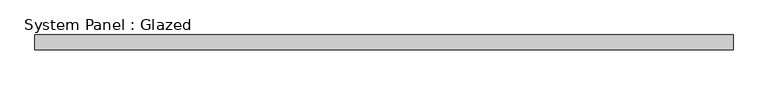
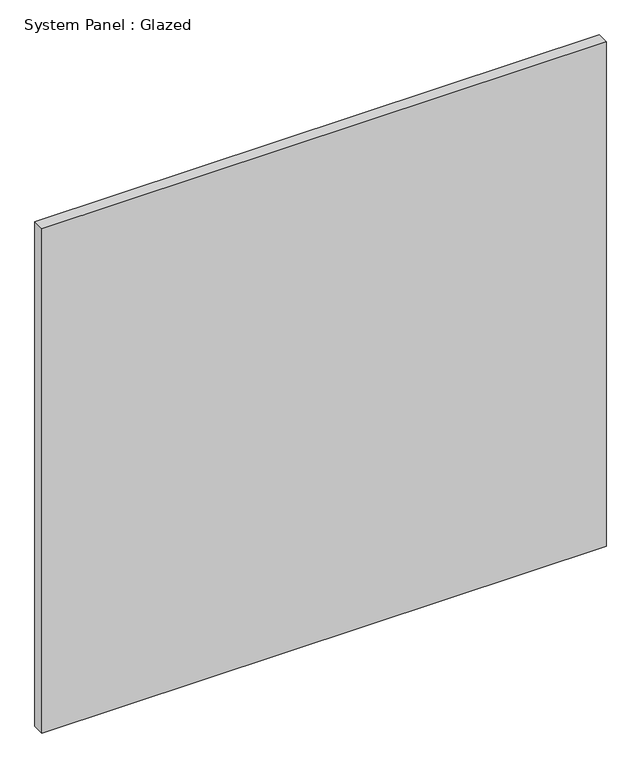
"""IFC4 building model written with IfcOpenShell, lengths in millimetres: plate geometry, System Panel : Glazed."""

from ifc_helpers import new_model, si_unit, origin, origin_with_axes, place, context, project, spatial, polyline, outline, extrude, source, transform, mapped, element, save


def system_panel_glazed_9fa3a8aa(model_context):
    return source(origin(), model_context, "Body", "SweptSolid", [
        extrude(outline(polyline([(594.51875, -44.45), (-594.51875, -44.45), (-594.51875, -19.05), (594.51875, -19.05), (594.51875, -44.45)])), origin_with_axes(), (0.0, 0.0, 1.0), 1123.95),
    ])


if __name__ == "__main__":
    model = new_model("IFC4")
    model_context = context("Model", 3, world=origin())
    ifc_project = project(units=[si_unit("LENGTHUNIT", "METRE", prefix="MILLI")], contexts=[model_context])
    site = spatial("IfcSite", under=ifc_project)
    building = spatial("IfcBuilding", under=site)
    placement = place(None, origin())
    system_panel_glazed_shape = system_panel_glazed_9fa3a8aa(model_context)
    element("IfcPlate", 1, ObjectType="System Panel : Glazed", at=placement, inside=building, context=model_context, shape_type="MappedRepresentation", body=[
        mapped(system_panel_glazed_shape, transform((0.0, 0.0, 0.0), x_axis=(1.0, 0.0, 0.0), y_axis=(0.0, 1.0, 0.0), z_axis=(0.0, 0.0, 1.0))),
    ])
    save(model, "model.ifc")
